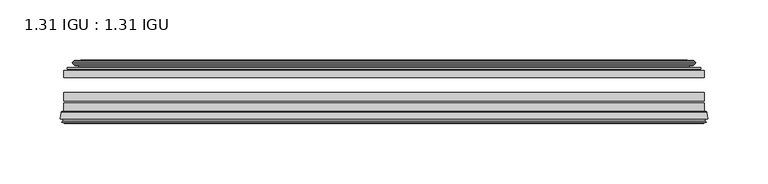
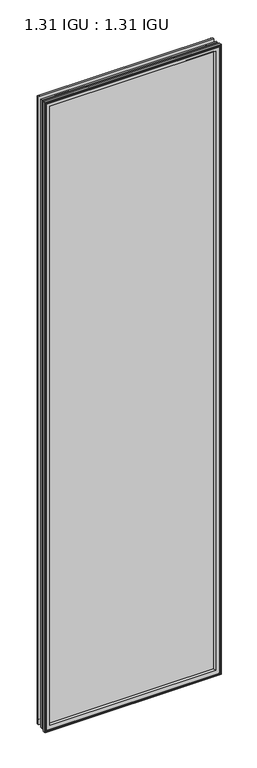
"""IFC4 building model written with IfcOpenShell, lengths in millimetres: plate geometry, 1.31 IGU : 1.31 IGU."""

from ifc_helpers import new_model, si_unit, frame, origin, place, context, project, spatial, polyline, ellipse_curve, outline, extrude, source, transform, mapped, element, save
from ifc_brep_helpers import plane_surface, cylinder_surface, revolved_surface, advanced_brep


def plate_1_31_igu_1_31_igu_58783397(model_context):
    return source(origin(), model_context, "Body", "SolidModel", [
        extrude(outline(polyline([(265.1081075, -44.8960875), (265.1081075, -50.4332875), (-265.1130426, -50.4332875), (-265.1130426, -44.8960875), (265.1081075, -44.8960875)])), frame((0.0, 0.0, -14.2875), z_axis=(0.0, 0.0, 1.0), x_axis=(1.0, 0.0, 0.0)), (0.0, 0.0, 1.0), 2009.67848),
        extrude(outline(polyline([(-265.1130426, -78.7796875), (-265.1130426, -71.7692875), (265.1081075, -71.7692875), (265.1081075, -78.7796875), (-265.1130426, -78.7796875)])), frame((0.0, 0.0, -14.2875), z_axis=(0.0, 0.0, 1.0), x_axis=(1.0, 0.0, 0.0)), (0.0, 0.0, 1.0), 2009.67848),
        extrude(outline(polyline([(-265.1130426, -70.2452875), (-265.1130426, -63.1332875), (265.1081075, -63.1332875), (265.1081075, -70.2452875), (-265.1130426, -70.2452875)])), frame((0.0, 0.0, -14.2875), z_axis=(0.0, 0.0, 1.0), x_axis=(1.0, 0.0, 0.0)), (0.0, 0.0, 1.0), 2009.67848),
        advanced_brep(
        [(-267.6599465, -85.1296875, 1997.9378839), (-266.9651627, -79.4711276, 1997.2431001), (-266.9651627, -79.4711276, -16.1396201), (-267.6599465, -85.1296875, -16.8344039), (-265.2723465, -87.1207518, 1995.5502839), (-265.7295465, -85.1296875, 1996.0074839), (-265.7295465, -85.1296875, -14.9040039), (-265.2723465, -87.1207518, -14.4468039), (-266.2737083, -86.8524376, 1996.5516458), (-266.2737083, -86.8524376, -15.4481658), (-266.5169465, -87.7602147, 1996.7948839), (-266.5169465, -87.7602147, -15.6914039), (-264.4849465, -88.3046875, 1994.7628839), (-264.4849465, -88.3046875, -13.6594039), (-262.4529465, -87.7602147, 1992.7308839), (-262.4529465, -87.7602147, -11.6274039), (-262.6961846, -86.8524376, 1992.9741221), (-262.6961846, -86.8524376, -11.8706421), (-263.6975465, -87.1207518, 1993.9754839), (-263.6975465, -87.1207518, -12.8720039), (-263.2403465, -85.1296875, 1993.5182839), (-263.2403465, -85.1296875, -12.4148039), (-266.1836318, -78.7796875, 1996.4615693), (-266.1836318, -78.7796875, -15.3580893), (266.9651627, -79.4711276, -16.1396201), (267.6599465, -85.1296875, -16.8344039), (265.7295465, -85.1296875, -14.9040039), (265.2723465, -87.1207518, -14.4468039), (266.2737083, -86.8524376, -15.4481658), (266.5169465, -87.7602147, -15.6914039), (264.4849465, -88.3046875, -13.6594039), (262.4529465, -87.7602147, -11.6274039), (262.6961846, -86.8524376, -11.8706421), (263.6975465, -87.1207518, -12.8720039), (263.2403465, -85.1296875, -12.4148039), (266.1836318, -78.7796875, -15.3580893), (266.9651627, -79.4711276, 1997.2431001), (267.6599465, -85.1296875, 1997.9378839), (265.7295465, -85.1296875, 1996.0074839), (265.2723465, -87.1207518, 1995.5502839), (266.2737083, -86.8524376, 1996.5516458), (266.5169465, -87.7602147, 1996.7948839), (264.4849465, -88.3046875, 1994.7628839), (262.4529465, -87.7602147, 1992.7308839), (262.6961846, -86.8524376, 1992.9741221), (263.6975465, -87.1207518, 1993.9754839), (263.2403465, -85.1296875, 1993.5182839), (266.1836318, -78.7796875, 1996.4615693), (-250.8377557, -85.1296875, 1981.1156931), (250.8377557, -85.1296875, 1981.1156931), (250.8377557, -85.1296875, -0.0122131), (-250.8377557, -85.1296875, -0.0122131), (-247.5214788, -78.7796875, 3.3040638), (247.5214788, -78.7796875, 3.3040638), (247.5214788, -78.7796875, 1977.7994162), (-247.5214788, -78.7796875, 1977.7994162)],
        [
            (0, 1),
            (1, 2),
            (2, 3),
            (3, 0),
            (4, 5),
            (5, 6),
            (6, 7),
            (7, 4),
            (8, 4),
            (7, 9),
            (9, 8),
            (10, 8),
            (9, 11),
            (11, 10),
            (12, 10),
            (11, 13),
            (13, 12),
            (14, 12),
            (13, 15),
            (15, 14),
            (16, 14),
            (15, 17),
            (17, 16),
            (18, 16),
            (17, 19),
            (19, 18),
            (20, 18),
            (19, 21),
            (21, 20),
            (1, 22, ellipse_curve(frame((-266.1836318, -79.5670875, 1996.4615693), z_axis=(-0.7071067811865475, 0.0, -0.7071067811865475), x_axis=(-0.7071067811865474, 0.0, 0.7071067811865476)), 1.1135518, 0.7874)),
            (22, 23),
            (23, 2, ellipse_curve(frame((-266.1836318, -79.5670875, -15.3580893), z_axis=(-0.7071067811865475, 0.0, 0.7071067811865475), x_axis=(0.7071067811865474, 0.0, 0.7071067811865476)), 1.1135518, 0.7874)),
            (2, 24),
            (24, 25),
            (25, 3),
            (6, 26),
            (26, 27),
            (27, 7),
            (27, 28),
            (28, 9),
            (28, 29),
            (29, 11),
            (29, 30),
            (30, 13),
            (30, 31),
            (31, 15),
            (31, 32),
            (32, 17),
            (32, 33),
            (33, 19),
            (33, 34),
            (34, 21),
            (23, 35),
            (35, 24, ellipse_curve(frame((266.1836318, -79.5670875, -15.3580893), z_axis=(-0.7071067811865475, 0.0, -0.7071067811865475), x_axis=(-0.7071067811865476, 0.0, 0.7071067811865474)), 1.1135518, 0.7874)),
            (24, 36),
            (36, 37),
            (37, 25),
            (26, 38),
            (38, 39),
            (39, 27),
            (39, 40),
            (40, 28),
            (40, 41),
            (41, 29),
            (41, 42),
            (42, 30),
            (42, 43),
            (43, 31),
            (43, 44),
            (44, 32),
            (44, 45),
            (45, 33),
            (45, 46),
            (46, 34),
            (35, 47),
            (47, 36, ellipse_curve(frame((266.1836318, -79.5670875, 1996.4615693), z_axis=(0.7071067811865475, 0.0, -0.7071067811865475), x_axis=(-0.7071067811865474, 0.0, -0.7071067811865476)), 1.1135518, 0.7874)),
            (36, 1),
            (0, 37),
            (5, 38),
            (4, 39),
            (8, 40),
            (10, 41),
            (12, 42),
            (14, 43),
            (16, 44),
            (18, 45),
            (20, 46),
            (48, 49),
            (49, 50),
            (50, 51),
            (51, 48),
            (22, 47),
            (52, 53),
            (53, 54),
            (54, 55),
            (55, 52),
            (55, 48, ellipse_curve(frame((-239.5884608, -86.963653, 1969.8663982), z_axis=(0.7071067811865475, 0.0, 0.7071067811865475), x_axis=(0.7071067811865474, 0.0, -0.7071067811865476)), 16.118937, 11.3978097)),
            (51, 52, ellipse_curve(frame((-239.5884608, -86.963653, 11.2370818), z_axis=(0.7071067811865475, 0.0, -0.7071067811865475), x_axis=(-0.7071067811865474, 0.0, -0.7071067811865476)), 16.118937, 11.3978097)),
            (50, 53, ellipse_curve(frame((239.5884608, -86.963653, 11.2370818), z_axis=(0.7071067811865475, 0.0, 0.7071067811865475), x_axis=(0.7071067811865476, 0.0, -0.7071067811865474)), 16.118937, 11.3978097)),
            (49, 54, ellipse_curve(frame((239.5884608, -86.963653, 1969.8663982), z_axis=(-0.7071067811865475, 0.0, 0.7071067811865475), x_axis=(0.7071067811865474, 0.0, 0.7071067811865476)), 16.118937, 11.3978097)),
        ],
        [
            plane_surface(frame((-266.9651627, -79.4711276, 1997.2431001), z_axis=(-0.9925461516413008, 0.12186934340532067, 0.0), x_axis=(0.0, 0.0, -1.0))),
            plane_surface(frame((-265.7295465, -85.1296875, 1996.0074839), z_axis=(-0.9746347637895997, -0.22380142361654332, 0.0), x_axis=(0.0, 0.0, -1.0))),
            plane_surface(frame((-265.2723465, -87.1207518, 1995.5502839), z_axis=(0.25881904510266784, 0.9659258262890289, 0.0), x_axis=(0.0, 0.0, -1.0))),
            plane_surface(frame((-266.2737083, -86.8524376, 1996.5516458), z_axis=(-0.9659258262890449, 0.2588190451026083, 0.0), x_axis=(0.0, 0.0, -1.0))),
            plane_surface(frame((-266.5169465, -87.7602147, 1996.7948839), z_axis=(-0.2588190451025689, -0.9659258262890554, 0.0), x_axis=(0.0, 0.0, -1.0))),
            plane_surface(frame((-264.4849465, -88.3046875, 1994.7628839), z_axis=(0.25881904510241466, -0.9659258262890968, 0.0), x_axis=(0.0, 0.0, -1.0))),
            plane_surface(frame((-262.4529465, -87.7602147, 1992.7308839), z_axis=(0.9659258262890272, 0.25881904510267406, 0.0), x_axis=(0.0, 0.0, -1.0))),
            plane_surface(frame((-262.6961846, -86.8524376, 1992.9741221), z_axis=(-0.25881904510234177, 0.9659258262891163, 0.0), x_axis=(0.0, 0.0, -1.0))),
            plane_surface(frame((-263.6975465, -87.1207518, 1993.9754839), z_axis=(0.9746347637895936, -0.2238014236165695, 0.0), x_axis=(0.0, 0.0, -1.0))),
            cylinder_surface(frame((-266.1836318, -79.5670875, 2012.85348), z_axis=(0.0, 0.0, 1.0), x_axis=(-1.0, 0.0, 0.0)), 0.7874),
            plane_surface(frame((-266.9651627, -79.4711276, -16.1396201), z_axis=(0.0, 0.12186934340531747, -0.9925461516413012), x_axis=(1.0, 0.0, 0.0))),
            plane_surface(frame((-265.7295465, -85.1296875, -14.9040039), z_axis=(0.0, -0.22380142361654648, -0.9746347637895989), x_axis=(1.0, 0.0, 0.0))),
            plane_surface(frame((-265.2723465, -87.1207518, -14.4468039), z_axis=(0.0, 0.9659258262890298, 0.25881904510266474), x_axis=(1.0, 0.0, 0.0))),
            plane_surface(frame((-266.2737083, -86.8524376, -15.4481658), z_axis=(0.0, 0.25881904510260517, -0.9659258262890458), x_axis=(1.0, 0.0, 0.0))),
            plane_surface(frame((-266.5169465, -87.7602147, -15.6914039), z_axis=(0.0, -0.9659258262890563, -0.2588190451025658), x_axis=(1.0, 0.0, 0.0))),
            plane_surface(frame((-264.4849465, -88.3046875, -13.6594039), z_axis=(0.0, -0.965925826289096, 0.25881904510241777), x_axis=(1.0, 0.0, 0.0))),
            plane_surface(frame((-262.4529465, -87.7602147, -11.6274039), z_axis=(0.0, 0.2588190451026772, 0.9659258262890265), x_axis=(1.0, 0.0, 0.0))),
            plane_surface(frame((-262.6961846, -86.8524376, -11.8706421), z_axis=(0.0, 0.9659258262891154, -0.2588190451023449), x_axis=(1.0, 0.0, 0.0))),
            plane_surface(frame((-263.6975465, -87.1207518, -12.8720039), z_axis=(0.0, -0.22380142361656633, 0.9746347637895943), x_axis=(1.0, 0.0, 0.0))),
            cylinder_surface(frame((-282.5755426, -79.5670875, -15.3580893), z_axis=(-1.0, 0.0, 0.0), x_axis=(0.0, 0.0, -1.0)), 0.7874),
            plane_surface(frame((266.9651627, -79.4711276, -16.1396201), z_axis=(0.9925461516413017, 0.12186934340531426, 0.0), x_axis=(0.0, 0.0, 1.0))),
            plane_surface(frame((265.7295465, -85.1296875, -14.9040039), z_axis=(0.9746347637895981, -0.22380142361654964, 0.0), x_axis=(0.0, 0.0, 1.0))),
            plane_surface(frame((265.2723465, -87.1207518, -14.4468039), z_axis=(-0.2588190451026616, 0.9659258262890307, 0.0), x_axis=(0.0, 0.0, 1.0))),
            plane_surface(frame((266.2737083, -86.8524376, -15.4481658), z_axis=(0.9659258262890467, 0.25881904510260206, 0.0), x_axis=(0.0, 0.0, 1.0))),
            plane_surface(frame((266.5169465, -87.7602147, -15.6914039), z_axis=(0.2588190451025627, -0.9659258262890572, 0.0), x_axis=(0.0, 0.0, 1.0))),
            plane_surface(frame((264.4849465, -88.3046875, -13.6594039), z_axis=(-0.2588190451024209, -0.9659258262890951, 0.0), x_axis=(0.0, 0.0, 1.0))),
            plane_surface(frame((262.4529465, -87.7602147, -11.6274039), z_axis=(-0.9659258262890256, 0.25881904510268033, 0.0), x_axis=(0.0, 0.0, 1.0))),
            plane_surface(frame((262.6961846, -86.8524376, -11.8706421), z_axis=(0.25881904510234804, 0.9659258262891146, 0.0), x_axis=(0.0, 0.0, 1.0))),
            plane_surface(frame((263.6975465, -87.1207518, -12.8720039), z_axis=(-0.9746347637895951, -0.22380142361656316, 0.0), x_axis=(0.0, 0.0, 1.0))),
            cylinder_surface(frame((266.1836318, -79.5670875, -31.75), z_axis=(0.0, 0.0, -1.0), x_axis=(1.0, 0.0, 0.0)), 0.7874),
            plane_surface(frame((266.9651627, -79.4711276, 1997.2431001), z_axis=(0.0, 0.12186934340531747, 0.9925461516413012), x_axis=(-1.0, 0.0, 0.0))),
            plane_surface(frame((267.6599465, -85.1296875, 1997.9378839), z_axis=(0.0, -1.0, 0.0), x_axis=(-1.0, 0.0, 0.0))),
            plane_surface(frame((265.7295465, -85.1296875, 1996.0074839), z_axis=(0.0, -0.22380142361654648, 0.9746347637895989), x_axis=(-1.0, 0.0, 0.0))),
            plane_surface(frame((265.2723465, -87.1207518, 1995.5502839), z_axis=(0.0, 0.9659258262890298, -0.25881904510266474), x_axis=(-1.0, 0.0, 0.0))),
            plane_surface(frame((266.2737083, -86.8524376, 1996.5516458), z_axis=(0.0, 0.25881904510260517, 0.9659258262890458), x_axis=(-1.0, 0.0, 0.0))),
            plane_surface(frame((266.5169465, -87.7602147, 1996.7948839), z_axis=(0.0, -0.9659258262890563, 0.2588190451025658), x_axis=(-1.0, 0.0, 0.0))),
            plane_surface(frame((264.4849465, -88.3046875, 1994.7628839), z_axis=(0.0, -0.965925826289096, -0.25881904510241777), x_axis=(-1.0, 0.0, 0.0))),
            plane_surface(frame((262.4529465, -87.7602147, 1992.7308839), z_axis=(0.0, 0.2588190451026772, -0.9659258262890265), x_axis=(-1.0, 0.0, 0.0))),
            plane_surface(frame((262.6961846, -86.8524376, 1992.9741221), z_axis=(0.0, 0.9659258262891155, 0.25881904510234494), x_axis=(-1.0, 0.0, 0.0))),
            plane_surface(frame((263.6975465, -87.1207518, 1993.9754839), z_axis=(0.0, -0.22380142361656633, -0.9746347637895943), x_axis=(-1.0, 0.0, 0.0))),
            plane_surface(frame((263.2403465, -85.1296875, 1993.5182839), z_axis=(0.0, -1.0, 0.0), x_axis=(-1.0, 0.0, 0.0))),
            plane_surface(frame((247.5214788, -78.7796875, 1977.7994162), z_axis=(0.0, 1.0, 0.0), x_axis=(-1.0, 0.0, 0.0))),
            cylinder_surface(frame((282.5755426, -79.5670875, 1996.4615693), z_axis=(1.0, 0.0, 0.0), x_axis=(0.0, 0.0, 1.0)), 0.7874),
            revolved_surface(polyline([(-250.98627050000002, -86.963653, -0.1607278582187064), (-250.98627050000002, -86.963653, 1981.2642078582187)]), (-239.5884608, -86.963653, 2012.85348), (0.0, 0.0, -1.0)),
            revolved_surface(polyline([(250.9862704582187, -86.963653, -0.16072789999999948), (-250.98627045821874, -86.963653, -0.16072789999999948)]), (-282.5755426, -86.963653, 11.2370818), (1.0, 0.0, 0.0)),
            revolved_surface(polyline([(250.98627050000002, -86.963653, 1981.2642078582187), (250.98627050000002, -86.963653, -0.16072785821874191)]), (239.5884608, -86.963653, -31.75), (0.0, 0.0, 1.0)),
            revolved_surface(polyline([(-250.9862704582187, -86.963653, 1981.2642079), (250.98627045821874, -86.963653, 1981.2642079)]), (282.5755426, -86.963653, 1969.8663982), (-1.0, 0.0, 0.0)),
        ],
        [
            (0, [[1, 2, 3, 4]]),
            (1, [[5, 6, 7, 8]]),
            (2, [[9, -8, 10, 11]]),
            (3, [[12, -11, 13, 14]]),
            (4, [[15, -14, 16, 17]]),
            (5, [[18, -17, 19, 20]]),
            (6, [[21, -20, 22, 23]]),
            (7, [[24, -23, 25, 26]]),
            (8, [[27, -26, 28, 29]]),
            (9, [[30, 31, 32, -2]]),
            (10, [[-3, 33, 34, 35]]),
            (11, [[-7, 36, 37, 38]]),
            (12, [[-10, -38, 39, 40]]),
            (13, [[-13, -40, 41, 42]]),
            (14, [[-16, -42, 43, 44]]),
            (15, [[-19, -44, 45, 46]]),
            (16, [[-22, -46, 47, 48]]),
            (17, [[-25, -48, 49, 50]]),
            (18, [[-28, -50, 51, 52]]),
            (19, [[-32, 53, 54, -33]]),
            (20, [[-34, 55, 56, 57]]),
            (21, [[-37, 58, 59, 60]]),
            (22, [[-39, -60, 61, 62]]),
            (23, [[-41, -62, 63, 64]]),
            (24, [[-43, -64, 65, 66]]),
            (25, [[-45, -66, 67, 68]]),
            (26, [[-47, -68, 69, 70]]),
            (27, [[-49, -70, 71, 72]]),
            (28, [[-51, -72, 73, 74]]),
            (29, [[-54, 75, 76, -55]]),
            (30, [[-56, 77, -1, 78]]),
            (31, [[-35, -57, -78, -4], [79, -58, -36, -6]]),
            (32, [[-59, -79, -5, 80]]),
            (33, [[-61, -80, -9, 81]]),
            (34, [[-63, -81, -12, 82]]),
            (35, [[-65, -82, -15, 83]]),
            (36, [[-67, -83, -18, 84]]),
            (37, [[-69, -84, -21, 85]]),
            (38, [[-71, -85, -24, 86]]),
            (39, [[-73, -86, -27, 87]]),
            (40, [[-52, -74, -87, -29], [88, 89, 90, 91]]),
            (41, [[92, -75, -53, -31], [93, 94, 95, 96]]),
            (42, [[-76, -92, -30, -77]]),
            (43, [[97, -91, 98, -96]]),
            (44, [[-98, -90, 99, -93]]),
            (45, [[-99, -89, 100, -94]]),
            (46, [[-100, -88, -97, -95]]),
        ],
    ),
        advanced_brep(
        [(-255.767718, -37.7373382, 1986.0456555), (-250.8260851, -36.3108875, 1981.1040226), (-250.8260851, -36.3108875, -0.0005426), (-255.767718, -37.7373382, -4.9421755), (-255.6026127, -36.9605789, 1985.8805502), (-255.6026127, -36.9605789, -4.7770702), (-256.1980984, -36.4771203, 1986.4760359), (-256.1980984, -36.4771203, -5.3725559), (-257.4627342, -37.766076, 1987.7406717), (-257.4627342, -37.766076, -6.6371917), (-257.4519175, -38.8797852, 1987.7298549), (-257.4519175, -38.8797852, -6.6263749), (-256.1704323, -40.1361433, 1986.4483697), (-256.1704323, -40.1361433, -5.3448897), (-255.5654254, -39.649943, 1985.8433629), (-255.5654254, -39.649943, -4.7398829), (-256.1194397, -39.0959287, 1986.3973772), (-256.1194397, -39.0959287, -5.2938972), (-253.8336313, -38.7029881, 1984.1115687), (-253.8336313, -38.7029881, -3.0080887), (-252.3745582, -40.2107282, 1982.6524957), (-252.3745582, -40.2107282, -1.5490157), (-252.6711401, -41.651269, 1982.9490776), (-252.6711401, -41.651269, -1.8455976), (-253.4423646, -42.2798875, 1983.7203021), (-253.4423646, -42.2798875, -2.6168221), (-261.7463409, -43.4871542, 1992.0242784), (-261.4711395, -42.2798875, 1991.7490769), (-261.4711395, -42.2798875, -10.6455969), (-261.7463409, -43.4871542, -10.9207984), (-258.2887723, -44.8960875, 1988.5667097), (-258.2887723, -44.8960875, -7.4632297), (-247.1911485, -44.023302, 1977.4690859), (-247.5464864, -44.8960875, 1977.8244239), (-247.5464864, -44.8960875, 3.2790561), (-247.1911485, -44.023302, 3.6343941), (-247.8623465, -43.3681812, 1978.140284), (-247.8623465, -43.3681812, 2.963196), (-249.5031371, -40.6686056, 1979.7810746), (-249.5031371, -40.6686056, 1.3224054), (250.8260851, -36.3108875, -0.0005426), (255.767718, -37.7373382, -4.9421755), (255.6026127, -36.9605789, -4.7770702), (256.1980984, -36.4771203, -5.3725559), (257.4627342, -37.766076, -6.6371917), (257.4519175, -38.8797852, -6.6263749), (256.1704323, -40.1361433, -5.3448897), (255.5654254, -39.649943, -4.7398829), (256.1194397, -39.0959287, -5.2938972), (253.8336313, -38.7029881, -3.0080887), (252.3745582, -40.2107282, -1.5490157), (252.6711401, -41.651269, -1.8455976), (253.4423646, -42.2798875, -2.6168221), (261.4711395, -42.2798875, -10.6455969), (261.7463409, -43.4871542, -10.9207984), (258.2887723, -44.8960875, -7.4632297), (247.5464864, -44.8960875, 3.2790561), (247.1911485, -44.023302, 3.6343941), (247.8623465, -43.3681812, 2.963196), (249.5031371, -40.6686056, 1.3224054), (250.8260851, -36.3108875, 1981.1040226), (255.767718, -37.7373382, 1986.0456555), (255.6026127, -36.9605789, 1985.8805502), (256.1980984, -36.4771203, 1986.4760359), (257.4627342, -37.766076, 1987.7406717), (257.4519175, -38.8797852, 1987.7298549), (256.1704323, -40.1361433, 1986.4483697), (255.5654254, -39.649943, 1985.8433629), (256.1194397, -39.0959287, 1986.3973772), (253.8336313, -38.7029881, 1984.1115687), (252.3745582, -40.2107282, 1982.6524957), (252.6711401, -41.651269, 1982.9490776), (253.4423646, -42.2798875, 1983.7203021), (261.4711395, -42.2798875, 1991.7490769), (261.7463409, -43.4871542, 1992.0242784), (258.2887723, -44.8960875, 1988.5667097), (247.5464864, -44.8960875, 1977.8244239), (247.1911485, -44.023302, 1977.4690859), (247.8623465, -43.3681812, 1978.140284), (249.5031371, -40.6686056, 1979.7810746)],
        [
            (0, 1),
            (1, 2),
            (2, 3),
            (3, 0),
            (4, 0),
            (3, 5),
            (5, 4),
            (6, 4, ellipse_curve(frame((-255.9231297, -36.746901, 1986.2010671), z_axis=(-0.7071067811865475, 0.0, -0.7071067811865475), x_axis=(-0.7071067811865474, 0.0, 0.7071067811865476)), 0.5447741, 0.3852135)),
            (5, 7, ellipse_curve(frame((-255.9231297, -36.746901, -5.0975871), z_axis=(-0.7071067811865475, 0.0, 0.7071067811865475), x_axis=(0.7071067811865474, 0.0, 0.7071067811865476)), 0.5447741, 0.3852135)),
            (7, 6),
            (8, 6),
            (7, 9),
            (9, 8),
            (10, 8, ellipse_curve(frame((-256.9006812, -38.3175243, 1987.1786187), z_axis=(-0.7071067811865475, 0.0, -0.7071067811865475), x_axis=(-0.7071067811865474, 0.0, 0.7071067811865476)), 1.1135518, 0.7874)),
            (9, 11, ellipse_curve(frame((-256.9006812, -38.3175243, -6.0751387), z_axis=(-0.7071067811865475, 0.0, 0.7071067811865475), x_axis=(0.7071067811865474, 0.0, 0.7071067811865476)), 1.1135518, 0.7874)),
            (11, 10),
            (12, 10),
            (11, 13),
            (13, 12),
            (14, 12, ellipse_curve(frame((-255.8968348, -39.8570738, 1986.1747722), z_axis=(-0.7071067811865475, 0.0, -0.7071067811865475), x_axis=(-0.7071067811865474, 0.0, 0.7071067811865476)), 0.552694, 0.3908137)),
            (13, 15, ellipse_curve(frame((-255.8968348, -39.8570738, -5.0712922), z_axis=(-0.7071067811865475, 0.0, 0.7071067811865475), x_axis=(0.7071067811865474, 0.0, 0.7071067811865476)), 0.552694, 0.3908137)),
            (15, 14),
            (16, 14),
            (15, 17),
            (17, 16),
            (18, 16),
            (17, 19),
            (19, 18),
            (20, 18, ellipse_curve(frame((-253.6184687, -39.954629, 1983.8964061), z_axis=(0.7071067811865475, 0.0, 0.7071067811865475), x_axis=(0.7071067811865474, 0.0, -0.7071067811865476)), 1.7960512, 1.27)),
            (19, 21, ellipse_curve(frame((-253.6184687, -39.954629, -2.7929261), z_axis=(0.7071067811865475, 0.0, -0.7071067811865475), x_axis=(-0.7071067811865474, 0.0, -0.7071067811865476)), 1.7960512, 1.27)),
            (21, 20),
            (22, 20),
            (21, 23),
            (23, 22),
            (24, 22, ellipse_curve(frame((-253.4423646, -41.4924875, 1983.7203021), z_axis=(0.7071067811865475, 0.0, 0.7071067811865475), x_axis=(0.7071067811865474, 0.0, -0.7071067811865476)), 1.1135518, 0.7874)),
            (23, 25, ellipse_curve(frame((-253.4423646, -41.4924875, -2.6168221), z_axis=(0.7071067811865475, 0.0, -0.7071067811865475), x_axis=(-0.7071067811865474, 0.0, -0.7071067811865476)), 1.1135518, 0.7874)),
            (25, 24),
            (26, 27, ellipse_curve(frame((-261.4711395, -42.9148875, 1991.7490769), z_axis=(-0.7071067811865475, 0.0, -0.7071067811865475), x_axis=(-0.7071067811865474, 0.0, 0.7071067811865476)), 0.8980256, 0.635)),
            (27, 28),
            (28, 29, ellipse_curve(frame((-261.4711395, -42.9148875, -10.6455969), z_axis=(-0.7071067811865475, 0.0, 0.7071067811865475), x_axis=(0.7071067811865474, 0.0, 0.7071067811865476)), 0.8980256, 0.635)),
            (29, 26),
            (30, 26),
            (29, 31),
            (31, 30),
            (32, 33, ellipse_curve(frame((-247.5464864, -44.3873602, 1977.8244239), z_axis=(-0.7071067811865475, 0.0, -0.7071067811865475), x_axis=(-0.7071067811865474, 0.0, 0.7071067811865476)), 0.719449, 0.5087273)),
            (33, 34),
            (34, 35, ellipse_curve(frame((-247.5464864, -44.3873602, 3.2790561), z_axis=(-0.7071067811865475, 0.0, 0.7071067811865475), x_axis=(0.7071067811865474, 0.0, 0.7071067811865476)), 0.719449, 0.5087273)),
            (35, 32),
            (36, 32),
            (35, 37),
            (37, 36),
            (38, 36, ellipse_curve(frame((-243.4269723, -38.823959, 1973.7049098), z_axis=(0.7071067811865475, 0.0, 0.7071067811865475), x_axis=(0.7071067811865474, 0.0, -0.7071067811865476)), 8.9802561, 6.35)),
            (37, 39, ellipse_curve(frame((-243.4269723, -38.823959, 7.3985702), z_axis=(0.7071067811865475, 0.0, -0.7071067811865475), x_axis=(-0.7071067811865474, 0.0, -0.7071067811865476)), 8.9802561, 6.35)),
            (39, 38),
            (1, 38),
            (39, 2),
            (2, 40),
            (40, 41),
            (41, 3),
            (41, 42),
            (42, 5),
            (42, 43, ellipse_curve(frame((255.9231297, -36.746901, -5.0975871), z_axis=(-0.7071067811865475, 0.0, -0.7071067811865475), x_axis=(-0.7071067811865476, 0.0, 0.7071067811865474)), 0.5447741, 0.3852135)),
            (43, 7),
            (43, 44),
            (44, 9),
            (44, 45, ellipse_curve(frame((256.9006812, -38.3175243, -6.0751387), z_axis=(-0.7071067811865475, 0.0, -0.7071067811865475), x_axis=(-0.7071067811865476, 0.0, 0.7071067811865474)), 1.1135518, 0.7874)),
            (45, 11),
            (45, 46),
            (46, 13),
            (46, 47, ellipse_curve(frame((255.8968348, -39.8570738, -5.0712922), z_axis=(-0.7071067811865475, 0.0, -0.7071067811865475), x_axis=(-0.7071067811865476, 0.0, 0.7071067811865474)), 0.552694, 0.3908137)),
            (47, 15),
            (47, 48),
            (48, 17),
            (48, 49),
            (49, 19),
            (49, 50, ellipse_curve(frame((253.6184687, -39.954629, -2.7929261), z_axis=(0.7071067811865475, 0.0, 0.7071067811865475), x_axis=(0.7071067811865476, 0.0, -0.7071067811865474)), 1.7960512, 1.27)),
            (50, 21),
            (50, 51),
            (51, 23),
            (51, 52, ellipse_curve(frame((253.4423646, -41.4924875, -2.6168221), z_axis=(0.7071067811865475, 0.0, 0.7071067811865475), x_axis=(0.7071067811865476, 0.0, -0.7071067811865474)), 1.1135518, 0.7874)),
            (52, 25),
            (28, 53),
            (53, 54, ellipse_curve(frame((261.4711395, -42.9148875, -10.6455969), z_axis=(-0.7071067811865475, 0.0, -0.7071067811865475), x_axis=(-0.7071067811865476, 0.0, 0.7071067811865474)), 0.8980256, 0.635)),
            (54, 29),
            (54, 55),
            (55, 31),
            (34, 56),
            (56, 57, ellipse_curve(frame((247.5464864, -44.3873602, 3.2790561), z_axis=(-0.7071067811865475, 0.0, -0.7071067811865475), x_axis=(-0.7071067811865476, 0.0, 0.7071067811865474)), 0.719449, 0.5087273)),
            (57, 35),
            (57, 58),
            (58, 37),
            (58, 59, ellipse_curve(frame((243.4269723, -38.823959, 7.3985702), z_axis=(0.7071067811865475, 0.0, 0.7071067811865475), x_axis=(0.7071067811865476, 0.0, -0.7071067811865474)), 8.9802561, 6.35)),
            (59, 39),
            (59, 40),
            (40, 60),
            (60, 61),
            (61, 41),
            (61, 62),
            (62, 42),
            (62, 63, ellipse_curve(frame((255.9231297, -36.746901, 1986.2010671), z_axis=(0.7071067811865475, 0.0, -0.7071067811865475), x_axis=(-0.7071067811865474, 0.0, -0.7071067811865476)), 0.5447741, 0.3852135)),
            (63, 43),
            (63, 64),
            (64, 44),
            (64, 65, ellipse_curve(frame((256.9006812, -38.3175243, 1987.1786187), z_axis=(0.7071067811865475, 0.0, -0.7071067811865475), x_axis=(-0.7071067811865474, 0.0, -0.7071067811865476)), 1.1135518, 0.7874)),
            (65, 45),
            (65, 66),
            (66, 46),
            (66, 67, ellipse_curve(frame((255.8968348, -39.8570738, 1986.1747722), z_axis=(0.7071067811865475, 0.0, -0.7071067811865475), x_axis=(-0.7071067811865474, 0.0, -0.7071067811865476)), 0.552694, 0.3908137)),
            (67, 47),
            (67, 68),
            (68, 48),
            (68, 69),
            (69, 49),
            (69, 70, ellipse_curve(frame((253.6184687, -39.954629, 1983.8964061), z_axis=(-0.7071067811865475, 0.0, 0.7071067811865475), x_axis=(0.7071067811865474, 0.0, 0.7071067811865476)), 1.7960512, 1.27)),
            (70, 50),
            (70, 71),
            (71, 51),
            (71, 72, ellipse_curve(frame((253.4423646, -41.4924875, 1983.7203021), z_axis=(-0.7071067811865475, 0.0, 0.7071067811865475), x_axis=(0.7071067811865474, 0.0, 0.7071067811865476)), 1.1135518, 0.7874)),
            (72, 52),
            (53, 73),
            (73, 74, ellipse_curve(frame((261.4711395, -42.9148875, 1991.7490769), z_axis=(0.7071067811865475, 0.0, -0.7071067811865475), x_axis=(-0.7071067811865474, 0.0, -0.7071067811865476)), 0.8980256, 0.635)),
            (74, 54),
            (74, 75),
            (75, 55),
            (56, 76),
            (76, 77, ellipse_curve(frame((247.5464864, -44.3873602, 1977.8244239), z_axis=(0.7071067811865475, 0.0, -0.7071067811865475), x_axis=(-0.7071067811865474, 0.0, -0.7071067811865476)), 0.719449, 0.5087273)),
            (77, 57),
            (77, 78),
            (78, 58),
            (78, 79, ellipse_curve(frame((243.4269723, -38.823959, 1973.7049098), z_axis=(-0.7071067811865475, 0.0, 0.7071067811865475), x_axis=(0.7071067811865474, 0.0, 0.7071067811865476)), 8.9802561, 6.35)),
            (79, 59),
            (79, 60),
            (60, 1),
            (0, 61),
            (4, 62),
            (6, 63),
            (8, 64),
            (10, 65),
            (12, 66),
            (14, 67),
            (16, 68),
            (18, 69),
            (20, 70),
            (22, 71),
            (24, 72),
            (27, 73),
            (26, 74),
            (30, 75),
            (33, 76),
            (32, 77),
            (36, 78),
            (38, 79),
        ],
        [
            plane_surface(frame((-250.8260851, -36.3108875, 1981.1040226), z_axis=(-0.27733649284928463, 0.9607728502273879, 0.0), x_axis=(0.0, 0.0, -1.0))),
            plane_surface(frame((-255.767718, -37.7373382, 1986.0456555), z_axis=(0.9781476007338358, -0.2079116908176177, 0.0), x_axis=(0.0, 0.0, -1.0))),
            cylinder_surface(frame((-255.9231297, -36.746901, 2012.85348), z_axis=(0.0, 0.0, 1.0), x_axis=(-1.0, 0.0, 0.0)), 0.3852135),
            plane_surface(frame((-256.1980984, -36.4771203, 1986.4760359), z_axis=(-0.7138087599382162, 0.7003406701280928, 0.0), x_axis=(0.0, 0.0, -1.0))),
            cylinder_surface(frame((-256.9006812, -38.3175243, 2012.85348), z_axis=(0.0, 0.0, 1.0), x_axis=(-1.0, 0.0, 0.0)), 0.7874),
            plane_surface(frame((-257.4519175, -38.8797852, 1987.7298549), z_axis=(-0.7000714109283732, -0.7140728391423082, 0.0), x_axis=(0.0, 0.0, -1.0))),
            cylinder_surface(frame((-255.8968348, -39.8570738, 2012.85348), z_axis=(0.0, 0.0, 1.0), x_axis=(-1.0, 0.0, 0.0)), 0.3908137),
            plane_surface(frame((-255.5654254, -39.649943, 1985.8433629), z_axis=(0.7071067811861126, 0.7071067811869826, 0.0), x_axis=(0.0, 0.0, -1.0))),
            plane_surface(frame((-256.1194397, -39.0959287, 1986.3973772), z_axis=(0.16941940671011482, -0.9855440449974789, 0.0), x_axis=(0.0, 0.0, -1.0))),
            revolved_surface(polyline([(-254.8884687, -39.954629, -4.062926082878221), (-254.8884687, -39.954629, 1985.1664060828782)]), (-253.6184687, -39.954629, 2012.85348), (0.0, 0.0, -1.0)),
            plane_surface(frame((-252.3745582, -40.2107282, 1982.6524957), z_axis=(-0.9794570432566897, 0.201652920670302, 0.0), x_axis=(0.0, 0.0, -1.0))),
            revolved_surface(polyline([(-254.22976459999998, -41.4924875, -3.4042221289826102), (-254.22976459999998, -41.4924875, 1984.5077021289826)]), (-253.4423646, -41.4924875, 2012.85348), (0.0, 0.0, -1.0)),
            cylinder_surface(frame((-261.4711395, -42.9148875, 2012.85348), z_axis=(0.0, 0.0, 1.0), x_axis=(-1.0, 0.0, 0.0)), 0.635),
            plane_surface(frame((-261.7463409, -43.4871542, 1992.0242784), z_axis=(-0.37736447542757934, -0.9260648209954139, 0.0), x_axis=(0.0, 0.0, -1.0))),
            cylinder_surface(frame((-247.5464864, -44.3873602, 2012.85348), z_axis=(0.0, 0.0, 1.0), x_axis=(-1.0, 0.0, 0.0)), 0.5087273),
            plane_surface(frame((-247.1911485, -44.023302, 1977.4690859), z_axis=(0.698484125849927, 0.7156255486884628, 0.0), x_axis=(0.0, 0.0, -1.0))),
            revolved_surface(polyline([(-249.77697229999998, -38.823959, 1.0485702148980636), (-249.77697229999998, -38.823959, 1980.054909785102)]), (-243.4269723, -38.823959, 2012.85348), (0.0, 0.0, -1.0)),
            plane_surface(frame((-249.5031371, -40.6686056, 1979.7810746), z_axis=(0.9568763473517009, 0.2904955350411895, 0.0), x_axis=(0.0, 0.0, -1.0))),
            plane_surface(frame((-250.8260851, -36.3108875, -0.0005426), z_axis=(0.0, 0.960772850227387, -0.27733649284928774), x_axis=(1.0, 0.0, 0.0))),
            plane_surface(frame((-255.767718, -37.7373382, -4.9421755), z_axis=(0.0, -0.20791169081761454, 0.9781476007338364), x_axis=(1.0, 0.0, 0.0))),
            cylinder_surface(frame((-282.5755426, -36.746901, -5.0975871), z_axis=(-1.0, 0.0, 0.0), x_axis=(0.0, 0.0, -1.0)), 0.3852135),
            plane_surface(frame((-256.1980984, -36.4771203, -5.3725559), z_axis=(0.0, 0.7003406701280904, -0.7138087599382185), x_axis=(1.0, 0.0, 0.0))),
            cylinder_surface(frame((-282.5755426, -38.3175243, -6.0751387), z_axis=(-1.0, 0.0, 0.0), x_axis=(0.0, 0.0, -1.0)), 0.7874),
            plane_surface(frame((-257.4519175, -38.8797852, -6.6263749), z_axis=(0.0, -0.7140728391423105, -0.7000714109283709), x_axis=(1.0, 0.0, 0.0))),
            cylinder_surface(frame((-282.5755426, -39.8570738, -5.0712922), z_axis=(-1.0, 0.0, 0.0), x_axis=(0.0, 0.0, -1.0)), 0.3908137),
            plane_surface(frame((-255.5654254, -39.649943, -4.7398829), z_axis=(0.0, 0.7071067811869849, 0.7071067811861103), x_axis=(1.0, 0.0, 0.0))),
            plane_surface(frame((-256.1194397, -39.0959287, -5.2938972), z_axis=(0.0, -0.9855440449974784, 0.16941940671011801), x_axis=(1.0, 0.0, 0.0))),
            revolved_surface(polyline([(254.88846868287834, -39.954629, -4.0629261), (-254.88846868287823, -39.954629, -4.0629261)]), (-282.5755426, -39.954629, -2.7929261), (1.0, 0.0, 0.0)),
            plane_surface(frame((-252.3745582, -40.2107282, -1.5490157), z_axis=(0.0, 0.20165292067029883, -0.9794570432566904), x_axis=(1.0, 0.0, 0.0))),
            revolved_surface(polyline([(254.22976462898242, -41.4924875, -3.4042220999999997), (-254.22976462898248, -41.4924875, -3.4042220999999997)]), (-282.5755426, -41.4924875, -2.6168221), (1.0, 0.0, 0.0)),
            cylinder_surface(frame((-282.5755426, -42.9148875, -10.6455969), z_axis=(-1.0, 0.0, 0.0), x_axis=(0.0, 0.0, -1.0)), 0.635),
            plane_surface(frame((-261.7463409, -43.4871542, -10.9207984), z_axis=(0.0, -0.9260648209954151, -0.37736447542757634), x_axis=(1.0, 0.0, 0.0))),
            cylinder_surface(frame((-282.5755426, -44.3873602, 3.2790561), z_axis=(-1.0, 0.0, 0.0), x_axis=(0.0, 0.0, -1.0)), 0.5087273),
            plane_surface(frame((-247.1911485, -44.023302, 3.6343941), z_axis=(0.0, 0.7156255486884651, 0.6984841258499247), x_axis=(1.0, 0.0, 0.0))),
            revolved_surface(polyline([(249.77697228510186, -38.823959, 1.0485702000000003), (-249.77697228510186, -38.823959, 1.0485702000000003)]), (-282.5755426, -38.823959, 7.3985702), (1.0, 0.0, 0.0)),
            plane_surface(frame((-249.5031371, -40.6686056, 1.3224054), z_axis=(0.0, 0.29049553504119263, 0.9568763473517), x_axis=(1.0, 0.0, 0.0))),
            plane_surface(frame((250.8260851, -36.3108875, -0.0005426), z_axis=(0.27733649284929085, 0.9607728502273861, 0.0), x_axis=(0.0, 0.0, 1.0))),
            plane_surface(frame((255.767718, -37.7373382, -4.9421755), z_axis=(-0.9781476007338371, -0.20791169081761138, 0.0), x_axis=(0.0, 0.0, 1.0))),
            cylinder_surface(frame((255.9231297, -36.746901, -31.75), z_axis=(0.0, 0.0, -1.0), x_axis=(1.0, 0.0, 0.0)), 0.3852135),
            plane_surface(frame((256.1980984, -36.4771203, -5.3725559), z_axis=(0.7138087599382208, 0.7003406701280882, 0.0), x_axis=(0.0, 0.0, 1.0))),
            cylinder_surface(frame((256.9006812, -38.3175243, -31.75), z_axis=(0.0, 0.0, -1.0), x_axis=(1.0, 0.0, 0.0)), 0.7874),
            plane_surface(frame((257.4519175, -38.8797852, -6.6263749), z_axis=(0.7000714109283687, -0.7140728391423128, 0.0), x_axis=(0.0, 0.0, 1.0))),
            cylinder_surface(frame((255.8968348, -39.8570738, -31.75), z_axis=(0.0, 0.0, -1.0), x_axis=(1.0, 0.0, 0.0)), 0.3908137),
            plane_surface(frame((255.5654254, -39.649943, -4.7398829), z_axis=(-0.7071067811861079, 0.7071067811869872, 0.0), x_axis=(0.0, 0.0, 1.0))),
            plane_surface(frame((256.1194397, -39.0959287, -5.2938972), z_axis=(-0.1694194067101212, -0.9855440449974778, 0.0), x_axis=(0.0, 0.0, 1.0))),
            revolved_surface(polyline([(254.8884687, -39.954629, 1985.1664060828782), (254.8884687, -39.954629, -4.062926082878235)]), (253.6184687, -39.954629, -31.75), (0.0, 0.0, 1.0)),
            plane_surface(frame((252.3745582, -40.2107282, -1.5490157), z_axis=(0.979457043256691, 0.20165292067029567, 0.0), x_axis=(0.0, 0.0, 1.0))),
            revolved_surface(polyline([(254.22976459999998, -41.4924875, 1984.5077021289826), (254.22976459999998, -41.4924875, -3.404222128982486)]), (253.4423646, -41.4924875, -31.75), (0.0, 0.0, 1.0)),
            cylinder_surface(frame((261.4711395, -42.9148875, -31.75), z_axis=(0.0, 0.0, -1.0), x_axis=(1.0, 0.0, 0.0)), 0.635),
            plane_surface(frame((261.7463409, -43.4871542, -10.9207984), z_axis=(0.37736447542757334, -0.9260648209954163, 0.0), x_axis=(0.0, 0.0, 1.0))),
            cylinder_surface(frame((247.5464864, -44.3873602, -31.75), z_axis=(0.0, 0.0, -1.0), x_axis=(1.0, 0.0, 0.0)), 0.5087273),
            plane_surface(frame((247.1911485, -44.023302, 3.6343941), z_axis=(-0.6984841258499224, 0.7156255486884673, 0.0), x_axis=(0.0, 0.0, 1.0))),
            revolved_surface(polyline([(249.77697229999998, -38.823959, 1980.054909785102), (249.77697229999998, -38.823959, 1.0485702148981417)]), (243.4269723, -38.823959, -31.75), (0.0, 0.0, 1.0)),
            plane_surface(frame((249.5031371, -40.6686056, 1.3224054), z_axis=(-0.9568763473516991, 0.29049553504119574, 0.0), x_axis=(0.0, 0.0, 1.0))),
            plane_surface(frame((250.8260851, -36.3108875, 1981.1040226), z_axis=(0.0, 0.960772850227387, 0.27733649284928774), x_axis=(-1.0, 0.0, 0.0))),
            plane_surface(frame((255.767718, -37.7373382, 1986.0456555), z_axis=(0.0, -0.20791169081761454, -0.9781476007338364), x_axis=(-1.0, 0.0, 0.0))),
            cylinder_surface(frame((282.5755426, -36.746901, 1986.2010671), z_axis=(1.0, 0.0, 0.0), x_axis=(0.0, 0.0, 1.0)), 0.3852135),
            plane_surface(frame((256.1980984, -36.4771203, 1986.4760359), z_axis=(0.0, 0.7003406701280904, 0.7138087599382185), x_axis=(-1.0, 0.0, 0.0))),
            cylinder_surface(frame((282.5755426, -38.3175243, 1987.1786187), z_axis=(1.0, 0.0, 0.0), x_axis=(0.0, 0.0, 1.0)), 0.7874),
            plane_surface(frame((257.4519175, -38.8797852, 1987.7298549), z_axis=(0.0, -0.7140728391423106, 0.700071410928371), x_axis=(-1.0, 0.0, 0.0))),
            cylinder_surface(frame((282.5755426, -39.8570738, 1986.1747722), z_axis=(1.0, 0.0, 0.0), x_axis=(0.0, 0.0, 1.0)), 0.3908137),
            plane_surface(frame((255.5654254, -39.649943, 1985.8433629), z_axis=(0.0, 0.7071067811869849, -0.7071067811861103), x_axis=(-1.0, 0.0, 0.0))),
            plane_surface(frame((256.1194397, -39.0959287, 1986.3973772), z_axis=(0.0, -0.9855440449974784, -0.16941940671011801), x_axis=(-1.0, 0.0, 0.0))),
            revolved_surface(polyline([(-254.88846868287834, -39.954629, 1985.1664061), (254.88846868287823, -39.954629, 1985.1664061)]), (282.5755426, -39.954629, 1983.8964061), (-1.0, 0.0, 0.0)),
            plane_surface(frame((252.3745582, -40.2107282, 1982.6524957), z_axis=(0.0, 0.20165292067029883, 0.9794570432566904), x_axis=(-1.0, 0.0, 0.0))),
            revolved_surface(polyline([(-254.22976462898242, -41.4924875, 1984.5077021), (254.22976462898248, -41.4924875, 1984.5077021)]), (282.5755426, -41.4924875, 1983.7203021), (-1.0, 0.0, 0.0)),
            plane_surface(frame((253.4423646, -42.2798875, 1983.7203021), z_axis=(0.0, 1.0, 0.0), x_axis=(-1.0, 0.0, 0.0))),
            cylinder_surface(frame((282.5755426, -42.9148875, 1991.7490769), z_axis=(1.0, 0.0, 0.0), x_axis=(0.0, 0.0, 1.0)), 0.635),
            plane_surface(frame((261.7463409, -43.4871542, 1992.0242784), z_axis=(0.0, -0.9260648209954151, 0.37736447542757634), x_axis=(-1.0, 0.0, 0.0))),
            plane_surface(frame((258.2887723, -44.8960875, 1988.5667097), z_axis=(0.0, -1.0, 0.0), x_axis=(-1.0, 0.0, 0.0))),
            cylinder_surface(frame((282.5755426, -44.3873602, 1977.8244239), z_axis=(1.0, 0.0, 0.0), x_axis=(0.0, 0.0, 1.0)), 0.5087273),
            plane_surface(frame((247.1911485, -44.023302, 1977.4690859), z_axis=(0.0, 0.7156255486884651, -0.6984841258499247), x_axis=(-1.0, 0.0, 0.0))),
            revolved_surface(polyline([(-249.77697228510186, -38.823959, 1980.0549098), (249.77697228510186, -38.823959, 1980.0549098)]), (282.5755426, -38.823959, 1973.7049098), (-1.0, 0.0, 0.0)),
            plane_surface(frame((249.5031371, -40.6686056, 1979.7810746), z_axis=(0.0, 0.29049553504119263, -0.9568763473517), x_axis=(-1.0, 0.0, 0.0))),
        ],
        [
            (0, [[1, 2, 3, 4]]),
            (1, [[5, -4, 6, 7]]),
            (2, [[8, -7, 9, 10]]),
            (3, [[11, -10, 12, 13]]),
            (4, [[14, -13, 15, 16]]),
            (5, [[17, -16, 18, 19]]),
            (6, [[20, -19, 21, 22]]),
            (7, [[23, -22, 24, 25]]),
            (8, [[26, -25, 27, 28]]),
            (9, [[29, -28, 30, 31]]),
            (10, [[32, -31, 33, 34]]),
            (11, [[35, -34, 36, 37]]),
            (12, [[38, 39, 40, 41]]),
            (13, [[42, -41, 43, 44]]),
            (14, [[45, 46, 47, 48]]),
            (15, [[49, -48, 50, 51]]),
            (16, [[52, -51, 53, 54]]),
            (17, [[55, -54, 56, -2]]),
            (18, [[-3, 57, 58, 59]]),
            (19, [[-6, -59, 60, 61]]),
            (20, [[-9, -61, 62, 63]]),
            (21, [[-12, -63, 64, 65]]),
            (22, [[-15, -65, 66, 67]]),
            (23, [[-18, -67, 68, 69]]),
            (24, [[-21, -69, 70, 71]]),
            (25, [[-24, -71, 72, 73]]),
            (26, [[-27, -73, 74, 75]]),
            (27, [[-30, -75, 76, 77]]),
            (28, [[-33, -77, 78, 79]]),
            (29, [[-36, -79, 80, 81]]),
            (30, [[-40, 82, 83, 84]]),
            (31, [[-43, -84, 85, 86]]),
            (32, [[-47, 87, 88, 89]]),
            (33, [[-50, -89, 90, 91]]),
            (34, [[-53, -91, 92, 93]]),
            (35, [[-56, -93, 94, -57]]),
            (36, [[-58, 95, 96, 97]]),
            (37, [[-60, -97, 98, 99]]),
            (38, [[-62, -99, 100, 101]]),
            (39, [[-64, -101, 102, 103]]),
            (40, [[-66, -103, 104, 105]]),
            (41, [[-68, -105, 106, 107]]),
            (42, [[-70, -107, 108, 109]]),
            (43, [[-72, -109, 110, 111]]),
            (44, [[-74, -111, 112, 113]]),
            (45, [[-76, -113, 114, 115]]),
            (46, [[-78, -115, 116, 117]]),
            (47, [[-80, -117, 118, 119]]),
            (48, [[-83, 120, 121, 122]]),
            (49, [[-85, -122, 123, 124]]),
            (50, [[-88, 125, 126, 127]]),
            (51, [[-90, -127, 128, 129]]),
            (52, [[-92, -129, 130, 131]]),
            (53, [[-94, -131, 132, -95]]),
            (54, [[-96, 133, -1, 134]]),
            (55, [[-98, -134, -5, 135]]),
            (56, [[-100, -135, -8, 136]]),
            (57, [[-102, -136, -11, 137]]),
            (58, [[-104, -137, -14, 138]]),
            (59, [[-106, -138, -17, 139]]),
            (60, [[-108, -139, -20, 140]]),
            (61, [[-110, -140, -23, 141]]),
            (62, [[-112, -141, -26, 142]]),
            (63, [[-114, -142, -29, 143]]),
            (64, [[-116, -143, -32, 144]]),
            (65, [[-118, -144, -35, 145]]),
            (66, [[146, -120, -82, -39], [-81, -119, -145, -37]]),
            (67, [[-121, -146, -38, 147]]),
            (68, [[-123, -147, -42, 148]]),
            (69, [[-86, -124, -148, -44], [149, -125, -87, -46]]),
            (70, [[-126, -149, -45, 150]]),
            (71, [[-128, -150, -49, 151]]),
            (72, [[-130, -151, -52, 152]]),
            (73, [[-132, -152, -55, -133]]),
        ],
    ),
    ])


if __name__ == "__main__":
    model = new_model("IFC4")
    model_context = context("Model", 3, world=origin())
    ifc_project = project(units=[si_unit("LENGTHUNIT", "METRE", prefix="MILLI")], contexts=[model_context])
    site = spatial("IfcSite", under=ifc_project)
    building = spatial("IfcBuilding", under=site)
    placement = place(None, origin())
    plate_1_31_igu_1_31_igu_shape = plate_1_31_igu_1_31_igu_58783397(model_context)
    element("IfcPlate", 1, ObjectType="1.31 IGU : 1.31 IGU", at=placement, inside=building, context=model_context, shape_type="MappedRepresentation", body=[
        mapped(plate_1_31_igu_1_31_igu_shape, transform((0.0, 0.0, 0.0), x_axis=(1.0, 0.0, 0.0), y_axis=(0.0, 1.0, 0.0), z_axis=(0.0, 0.0, 1.0))),
    ])
    save(model, "model.ifc")
